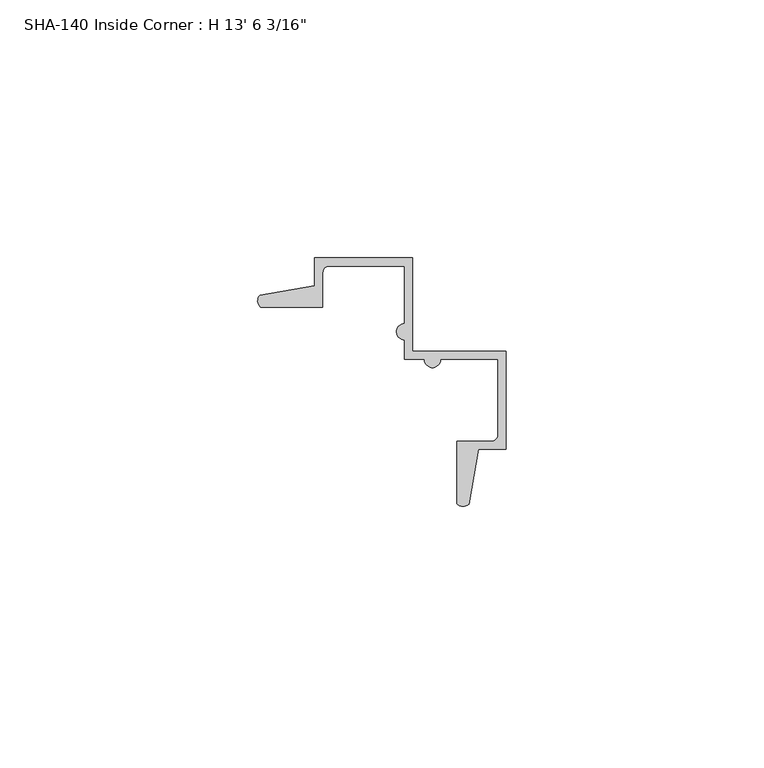
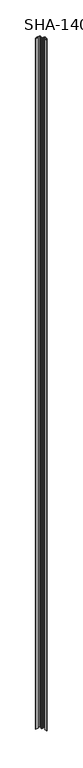
"""IFC4 building model written with IfcOpenShell, lengths in millimetres: proxy geometry."""

from ifc_helpers import new_model, si_unit, point, frame_2d, origin, origin_with_axes, place, context, project, spatial, polyline, circle_curve, trimmed, segment, composite_curve, outline, extrude, source, transform, mapped, element, save


def proxy_325b6218(model_context):
    return source(origin(), model_context, "Body", "SweptSolid", [
        extrude(outline(composite_curve([segment(polyline([(22.5074749, -10.2039449), (22.5074749, 4.4010551), (14.5572749, 4.4010551), (11.3695749, 4.4010551)]), True, "CONTINUOUS"), segment(trimmed(circle_curve(frame_2d((9.7947749, 4.4010551)), 1.5748), [point((11.3695749, 4.4010551))], [point((8.2199749, 4.4010551))], False, "CARTESIAN"), True, "CONTINUOUS"), segment(polyline([(8.2199749, 4.4010551), (4.3972749, 4.4010551), (4.3972749, 8.2237551)]), True, "CONTINUOUS"), segment(trimmed(circle_curve(frame_2d((4.3972749, 9.7985551)), 1.5748), [point((4.3972749, 8.2237551))], [point((4.3972749, 11.3733551))], False, "CARTESIAN"), True, "CONTINUOUS"), segment(polyline([(4.3972749, 11.3733551), (4.3972749, 14.5610551), (4.3972749, 22.5112551), (-10.2077251, 22.5112551)]), True, "CONTINUOUS"), segment(trimmed(circle_curve(frame_2d((-10.2077251, 21.2412551)), 1.27), [point((-10.2077251, 22.5112551))], [point((-11.4777251, 21.2412551))], True, "CARTESIAN"), True, "CONTINUOUS"), segment(polyline([(-11.4777251, 21.2412551), (-11.4777251, 14.5610551), (-23.5625282, 14.5610551)]), True, "CONTINUOUS"), segment(trimmed(circle_curve(frame_2d((-22.4717705, 15.7537316)), 1.6162393), [point((-23.5625282, 14.5610551))], [point((-23.628612, 16.8824244))], False, "CARTESIAN"), True, "CONTINUOUS"), segment(polyline([(-23.628612, 16.8824244), (-13.0525251, 18.6933982), (-13.0525251, 24.0860551), (5.9720749, 24.0860551), (5.9720749, 5.9758551), (24.0822749, 5.9758551), (24.0822749, -13.0487449), (18.689618, -13.0487449), (16.8786442, -23.6248318)]), True, "CONTINUOUS"), segment(trimmed(circle_curve(frame_2d((15.7499514, -22.4679903)), 1.6162393), [point((16.8786442, -23.6248318))], [point((14.5572749, -23.558748))], False, "CARTESIAN"), True, "CONTINUOUS"), segment(polyline([(14.5572749, -23.558748), (14.5572749, -11.4739449), (21.2374749, -11.4739449)]), True, "CONTINUOUS"), segment(trimmed(circle_curve(frame_2d((21.2374749, -10.2039449)), 1.27), [point((21.2374749, -11.4739449))], [point((22.5074749, -10.2039449))], True, "CARTESIAN"), True, "CONTINUOUS")], self_intersect=False)), origin_with_axes(), (0.0, 0.0, 1.0), 4119.5625),
    ])


if __name__ == "__main__":
    model = new_model("IFC4")
    model_context = context("Model", 3, world=origin())
    ifc_project = project(units=[si_unit("LENGTHUNIT", "METRE", prefix="MILLI")], contexts=[model_context])
    site = spatial("IfcSite", under=ifc_project)
    building = spatial("IfcBuilding", under=site)
    placement = place(None, origin())
    proxy_shape = proxy_325b6218(model_context)
    element("IfcBuildingElementProxy", 1, Name="SHA-140 Inside Corner : H 13' 6 3/16\"", ObjectType="SHA-140 Inside Corner : H 13' 6 3/16\"", at=placement, inside=building, context=model_context, shape_type="MappedRepresentation", body=[
        mapped(proxy_shape, transform((0.0, 0.0, 0.0), x_axis=(1.0, 0.0, 0.0), y_axis=(0.0, 1.0, 0.0), z_axis=(0.0, 0.0, 1.0))),
    ])
    save(model, "model.ifc")
